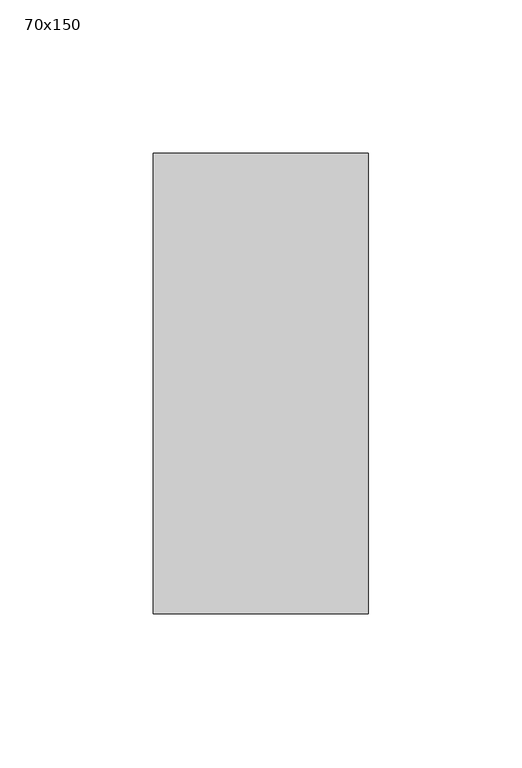
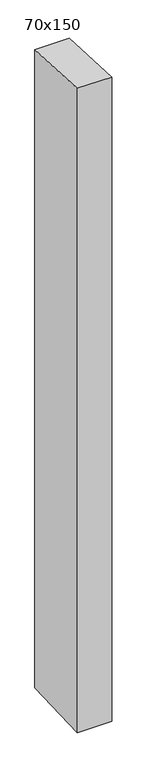
"""IFC4 building model written with IfcOpenShell, lengths in millimetres: member geometry, 70x150."""

from ifc_helpers import new_model, si_unit, frame, origin, place, context, project, spatial, polyline, outline, extrude, source, transform, mapped, element, save


def member_70x150_4d32bf3a(model_context):
    return source(origin(), model_context, "Body", "SweptSolid", [
        extrude(outline(polyline([(-75.0, 3.7574111), (75.0, -3.7574111), (75.0, -1381.0390381), (-75.0, -1386.8410383), (-75.0, 3.7574111)])), frame((-70.0, 0.0, 0.0), z_axis=(1.0, 0.0, 0.0), x_axis=(0.0, 1.0, 0.0)), (0.0, 0.0, 1.0), 70.0),
    ])


if __name__ == "__main__":
    model = new_model("IFC4")
    model_context = context("Model", 3, world=origin())
    ifc_project = project(units=[si_unit("LENGTHUNIT", "METRE", prefix="MILLI")], contexts=[model_context])
    site = spatial("IfcSite", under=ifc_project)
    building = spatial("IfcBuilding", under=site)
    placement = place(None, origin())
    member_70x150_shape = member_70x150_4d32bf3a(model_context)
    element("IfcMember", 1, ObjectType="70x150", at=placement, inside=building, context=model_context, shape_type="MappedRepresentation", body=[
        mapped(member_70x150_shape, transform((0.0, 0.0, 0.0), x_axis=(1.0, 0.0, 0.0), y_axis=(0.0, 1.0, 0.0), z_axis=(0.0, 0.0, 1.0))),
    ])
    save(model, "model.ifc")
